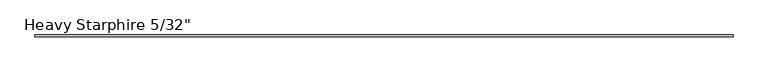
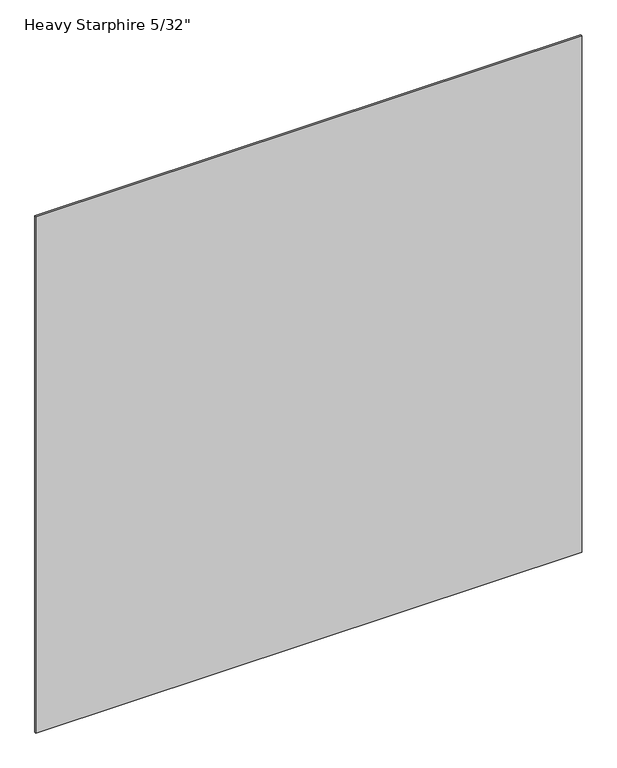
"""IFC4 building model written with IfcOpenShell, lengths in millimetres: plate geometry."""

from ifc_helpers import new_model, si_unit, origin, origin_with_axes, place, context, project, spatial, polyline, outline, extrude, source, transform, mapped, element, save


def plate_75173e4c(model_context):
    return source(origin(), model_context, "Body", "SweptSolid", [
        extrude(outline(polyline([(762.0, 1.984375), (762.0, -1.984375), (-762.0, -1.984375), (-762.0, 1.984375), (762.0, 1.984375)])), origin_with_axes(), (0.0, 0.0, 1.0), 1524.0),
    ])


if __name__ == "__main__":
    model = new_model("IFC4")
    model_context = context("Model", 3, world=origin())
    ifc_project = project(units=[si_unit("LENGTHUNIT", "METRE", prefix="MILLI")], contexts=[model_context])
    site = spatial("IfcSite", under=ifc_project)
    building = spatial("IfcBuilding", under=site)
    placement = place(None, origin())
    plate_shape = plate_75173e4c(model_context)
    element("IfcPlate", 1, ObjectType="Heavy Starphire 5/32\"", at=placement, inside=building, context=model_context, shape_type="MappedRepresentation", body=[
        mapped(plate_shape, transform((0.0, 0.0, 0.0), x_axis=(1.0, 0.0, 0.0), y_axis=(0.0, 1.0, 0.0), z_axis=(0.0, 0.0, 1.0))),
    ])
    save(model, "model.ifc")
